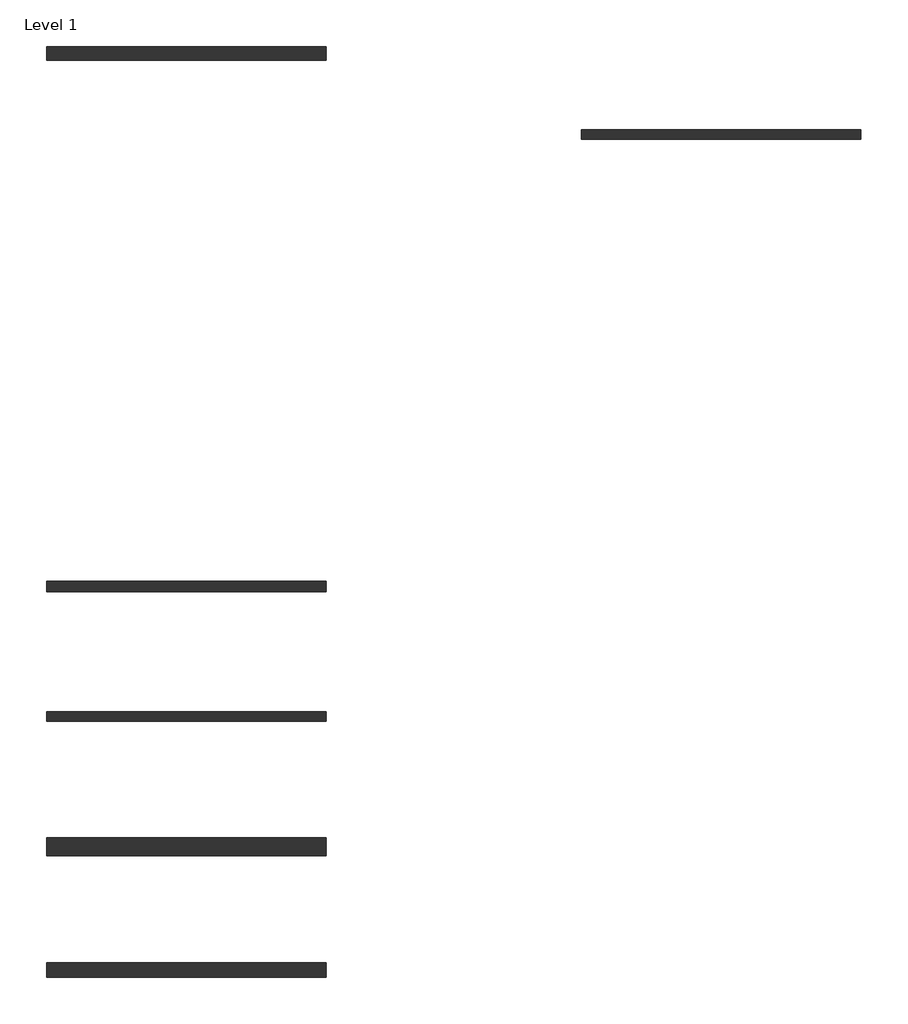
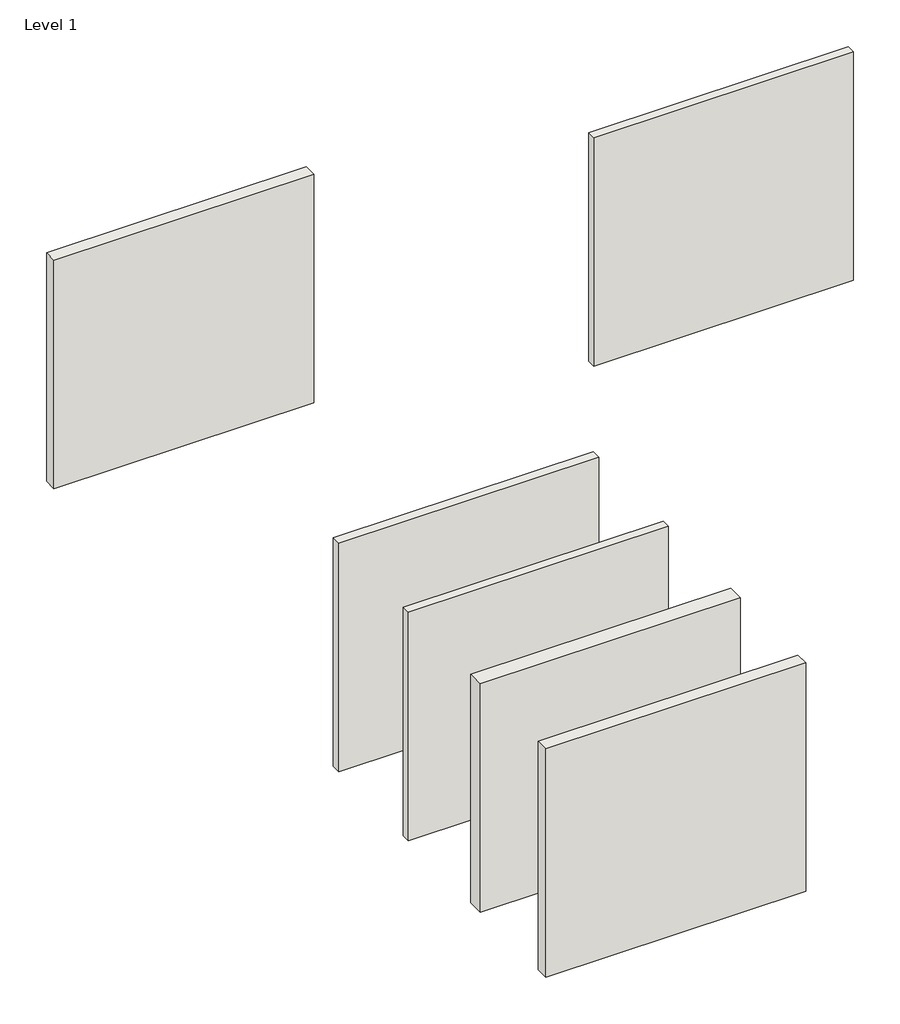
# One storey: 6 walls.
"""IFC4 building model written with IfcOpenShell, lengths in millimetres."""

from ifc_helpers import new_model, si_unit, origin, origin_with_axes, place, context, project, spatial, polyline, outline, extrude, element, save

model = new_model("IFC4")

# Units and contexts
model_context = context("Model", 3, world=origin())
ifc_project = project(units=[si_unit("LENGTHUNIT", "METRE", prefix="MILLI")], contexts=[model_context])

# Site, building, storey
site = spatial("IfcSite", under=ifc_project)
building = spatial("IfcBuilding", under=site)
storey = spatial("IfcBuildingStorey", under=building, Name="Level 1", Elevation=0.0)

# Walls
placement = place(None, origin())
element("IfcWall", 1, at=placement, inside=storey, context=model_context, shape_type="SweptSolid", body=[
    extrude(outline(polyline([(-3740.705314, -2635.670405), (-10293.905314, -2635.670405), (-10293.905314, -2318.170405), (-3740.705314, -2318.170405), (-3740.705314, -2635.670405)])), origin_with_axes(), (0.0, 0.0, 1.0), 6096.0),
])
element("IfcWall", 2, at=placement, inside=storey, context=model_context, shape_type="SweptSolid", body=[
    extrude(outline(polyline([(-3740.705314, -18134.432905), (-10293.905314, -18134.432905), (-10293.905314, -17909.007905), (-3740.705314, -17909.007905), (-3740.705314, -18134.432905)])), origin_with_axes(), (0.0, 0.0, 1.0), 6096.0),
])
element("IfcWall", 3, at=placement, inside=storey, context=model_context, shape_type="SweptSolid", body=[
    extrude(outline(polyline([(-3740.705314, -21279.270405), (-10293.905314, -21279.270405), (-10293.905314, -20860.170405), (-3740.705314, -20860.170405), (-3740.705314, -21279.270405)])), origin_with_axes(), (0.0, 0.0, 1.0), 6096.0),
])
element("IfcWall", 4, at=placement, inside=storey, context=model_context, shape_type="SweptSolid", body=[
    extrude(outline(polyline([(-3740.705314, -24136.770405), (-10293.905314, -24136.770405), (-10293.905314, -23793.870405), (-3740.705314, -23793.870405), (-3740.705314, -24136.770405)])), origin_with_axes(), (0.0, 0.0, 1.0), 6096.0),
])
element("IfcWall", 5, at=placement, inside=storey, context=model_context, shape_type="SweptSolid", body=[
    extrude(outline(polyline([(-3740.705314, -15097.545405), (-10293.905314, -15097.545405), (-10293.905314, -14849.895405), (-3740.705314, -14849.895405), (-3740.705314, -15097.545405)])), origin_with_axes(), (0.0, 0.0, 1.0), 6096.0),
])
element("IfcWall", 6, at=placement, inside=storey, context=model_context, shape_type="SweptSolid", body=[
    extrude(outline(polyline([(8806.894686, -4493.045405), (2253.694686, -4493.045405), (2253.694686, -4270.795405), (8806.894686, -4270.795405), (8806.894686, -4493.045405)])), origin_with_axes(), (0.0, 0.0, 1.0), 6096.0),
])

save(model, "model.ifc")
